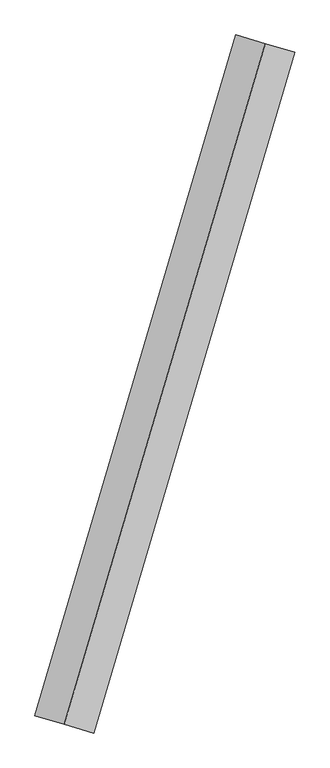
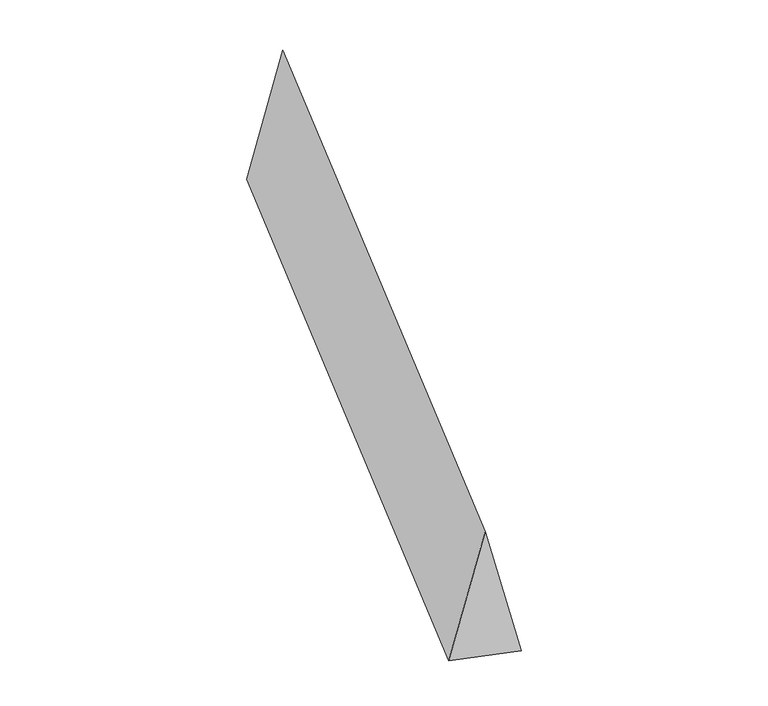
"""IFC4 building model written with IfcOpenShell, lengths in millimetres: proxy geometry."""

from ifc_helpers import new_model, si_unit, frame, origin, place, context, project, spatial, polyline, outline, extrude, source, transform, mapped, element, save


def generic_models_326570c3(model_context):
    return source(origin(), model_context, "Body", "SweptSolid", [
        extrude(outline(polyline([(-453.0771745, 111.7982638), (267.918464, 111.7982638), (185.1587103, -223.5965277), (-453.0771745, 111.7982638)])), frame((-566.3572259, -1918.1343782, 233.3333333), z_axis=(0.2831786129328697, 0.9590671890839642, 0.0), x_axis=(-0.2297615284831507, 0.06784045130700274, -0.9708796594818272)), (0.0, 0.0, 1.0), 4000.0),
    ])


if __name__ == "__main__":
    model = new_model("IFC4")
    model_context = context("Model", 3, world=origin())
    ifc_project = project(units=[si_unit("LENGTHUNIT", "METRE", prefix="MILLI")], contexts=[model_context])
    site = spatial("IfcSite", under=ifc_project)
    building = spatial("IfcBuilding", under=site)
    placement = place(None, origin())
    generic_models_shape = generic_models_326570c3(model_context)
    element("IfcBuildingElementProxy", 1, Name="Generic Models", at=placement, inside=building, context=model_context, shape_type="MappedRepresentation", body=[
        mapped(generic_models_shape, transform((0.0, 0.0, 0.0), x_axis=(1.0, 0.0, 0.0), y_axis=(0.0, 1.0, 0.0), z_axis=(0.0, 0.0, 1.0))),
    ])
    save(model, "model.ifc")
